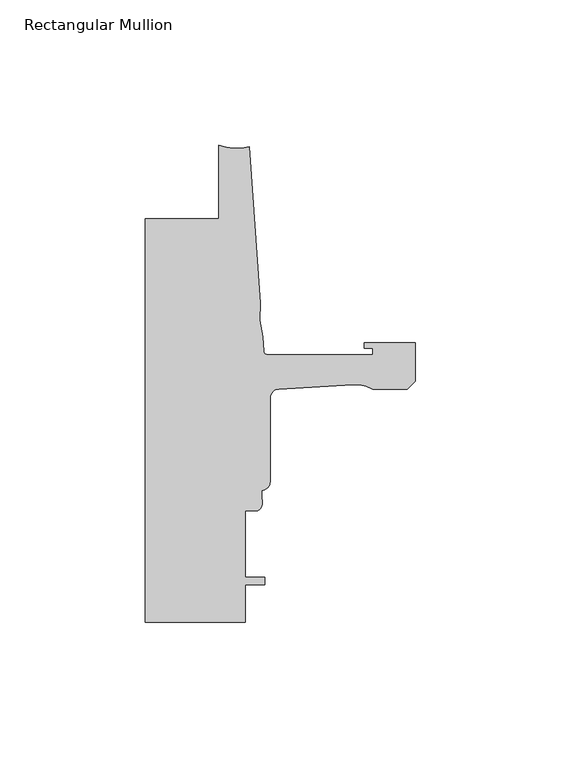
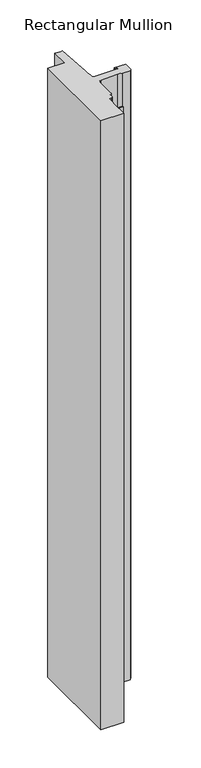
"""IFC4 building model written with IfcOpenShell, lengths in millimetres: member geometry, Rectangular Mullion."""

from ifc_helpers import new_model, si_unit, point, frame, frame_2d, origin, place, context, project, spatial, polyline, circle_curve, trimmed, segment, composite_curve, outline, extrude, source, transform, mapped, element, save


def rectangular_mullion_3ace5893(model_context):
    return source(origin(), model_context, "Body", "SweptSolid", [
        extrude(outline(composite_curve([segment(polyline([(-93.2286109, -25.4004525), (-67.8287241, -25.4004525), (-67.8287241, 0.0)]), True, "CONTINUOUS"), segment(trimmed(circle_curve(frame_2d((-61.5737839, 15.5330799)), 16.7451739), [point((-67.8287241, 0.0))], [point((-57.2987828, -0.6572016))], True, "CARTESIAN"), True, "CONTINUOUS"), segment(polyline([(-57.2987828, -0.6572016), (-53.5273008, -54.5916583)]), True, "CONTINUOUS"), segment(trimmed(circle_curve(frame_2d((-22.6573046, -58.220143)), 31.0825122), [point((-53.5273008, -54.5916583))], [point((-52.7218885, -66.1095894))], True, "CARTESIAN"), True, "CONTINUOUS"), segment(polyline([(-52.7218885, -66.1095894), (-52.3871825, -70.8961089)]), True, "CONTINUOUS"), segment(trimmed(circle_curve(frame_2d((-50.8668948, -70.7898)), 1.524), [point((-52.3871825, -70.8961089))], [point((-50.8668948, -72.3138))], True, "CARTESIAN"), True, "CONTINUOUS"), segment(polyline([(-50.8668948, -72.3138), (-14.783487, -72.3138), (-14.783487, -69.9769999), (-17.6377748, -69.9769999), (-17.6377748, -68.1989999), (0.0, -68.1989999), (0.0, -81.3555127), (-2.845487, -84.2009998), (-14.7368542, -84.2009998)]), True, "CONTINUOUS"), segment(trimmed(circle_curve(frame_2d((-20.8718421, -95.1826865)), 12.5791701), [point((-14.7368542, -84.2009998))], [point((-21.6202542, -82.6257999))], True, "CARTESIAN"), True, "CONTINUOUS"), segment(polyline([(-21.6202542, -82.6257999), (-47.0897067, -84.1438232)]), True, "CONTINUOUS"), segment(trimmed(circle_curve(frame_2d((-46.9265, -87.3146257)), 3.175), [point((-47.0897067, -84.1438232))], [point((-50.1015, -87.3146257))], True, "CARTESIAN"), True, "CONTINUOUS"), segment(polyline([(-50.1015, -87.3146257), (-50.1015, -116.026113)]), True, "CONTINUOUS"), segment(trimmed(circle_curve(frame_2d((-53.2765, -116.026113)), 3.175), [point((-50.1015, -116.026113))], [point((-53.0225002, -119.1909367))], False, "CARTESIAN"), True, "CONTINUOUS"), segment(polyline([(-53.0225002, -119.1909367), (-53.0225002, -121.7775425)]), True, "CONTINUOUS"), segment(trimmed(circle_curve(frame_2d((-56.4301064, -123.096956)), 3.6541253), [point((-53.0225002, -121.7775425))], [point((-54.4195002, -126.1482008))], False, "CARTESIAN"), True, "CONTINUOUS"), segment(polyline([(-54.4195002, -126.1482008), (-58.7375, -126.1482008), (-58.7375, -149.0082008), (-51.8795003, -149.0082008), (-51.8795003, -151.5482008), (-58.7375, -151.5482008), (-58.7375, -164.592), (-93.2286109, -164.592), (-93.2286109, -25.4004525)]), True, "CONTINUOUS")], self_intersect=False)), frame((0.0, 0.0, -973.9409087), z_axis=(0.0, 0.0, 1.0), x_axis=(1.0, 0.0, 0.0)), (0.0, 0.0, 1.0), 973.9409087),
    ])


if __name__ == "__main__":
    model = new_model("IFC4")
    model_context = context("Model", 3, world=origin())
    ifc_project = project(units=[si_unit("LENGTHUNIT", "METRE", prefix="MILLI")], contexts=[model_context])
    site = spatial("IfcSite", under=ifc_project)
    building = spatial("IfcBuilding", under=site)
    placement = place(None, origin())
    rectangular_mullion_shape = rectangular_mullion_3ace5893(model_context)
    element("IfcMember", 1, ObjectType="Rectangular Mullion", at=placement, inside=building, context=model_context, shape_type="MappedRepresentation", body=[
        mapped(rectangular_mullion_shape, transform((0.0, 0.0, 0.0), x_axis=(1.0, 0.0, 0.0), y_axis=(0.0, 1.0, 0.0), z_axis=(0.0, 0.0, 1.0))),
    ])
    save(model, "model.ifc")
